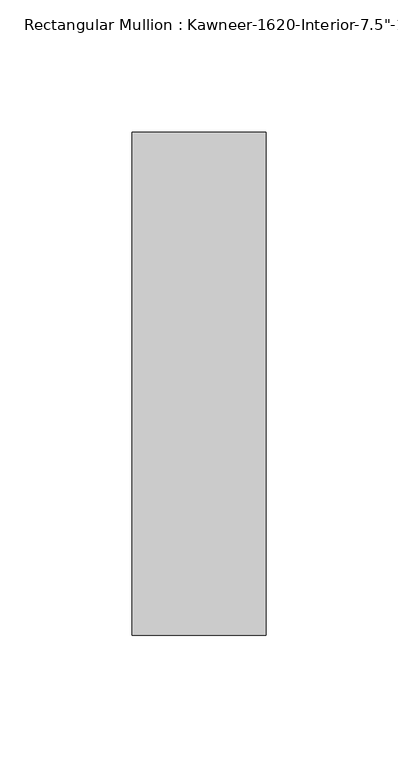
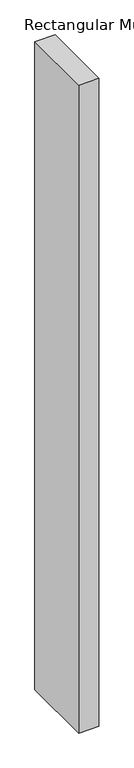
"""IFC4 building model written with IfcOpenShell, lengths in millimetres: member geometry."""

from ifc_helpers import new_model, si_unit, frame, origin, place, context, project, spatial, polyline, outline, extrude, source, transform, mapped, element, save


def member_2bfad181(model_context):
    return source(origin(), model_context, "Body", "SweptSolid", [
        extrude(outline(polyline([(25.4, -161.925), (-25.4, -161.925), (-25.4, 28.575), (25.4, 28.575), (25.4, -161.925)])), frame((0.0, 0.0, -1720.85), z_axis=(0.0, 0.0, 1.0), x_axis=(1.0, 0.0, 0.0)), (0.0, 0.0, 1.0), 1720.85),
    ])


if __name__ == "__main__":
    model = new_model("IFC4")
    model_context = context("Model", 3, world=origin())
    ifc_project = project(units=[si_unit("LENGTHUNIT", "METRE", prefix="MILLI")], contexts=[model_context])
    site = spatial("IfcSite", under=ifc_project)
    building = spatial("IfcBuilding", under=site)
    placement = place(None, origin())
    member_shape = member_2bfad181(model_context)
    element("IfcMember", 1, ObjectType="Rectangular Mullion : Kawneer-1620-Interior-7.5\"-1/4\"Infill", at=placement, inside=building, context=model_context, shape_type="MappedRepresentation", body=[
        mapped(member_shape, transform((0.0, 0.0, 0.0), x_axis=(1.0, 0.0, 0.0), y_axis=(0.0, 1.0, 0.0), z_axis=(0.0, 0.0, 1.0))),
    ])
    save(model, "model.ifc")
